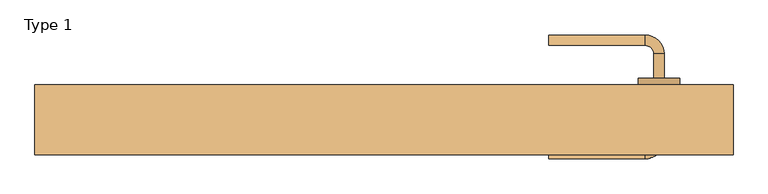
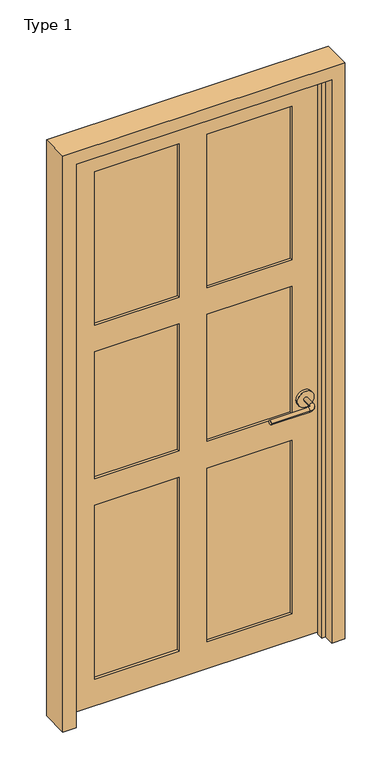
"""IFC4 building model written with IfcOpenShell, lengths in millimetres: door geometry, Type 1."""

from ifc_helpers import new_model, si_unit, point, frame, frame_2d, origin, place, context, project, spatial, circle_curve, ellipse_curve, trimmed, segment, composite_curve, outline, extrude, faceted_brep, source, transform, mapped, element, save
from ifc_brep_helpers import plane_surface, cylinder_surface, revolved_surface, advanced_brep


def type_1_c918fb3f(model_context):
    return source(origin(), model_context, "Body", "SolidModel", [
        advanced_brep(
        [(509.0006555, 8.1295325, 914.4), (494.0006555, 8.1295325, 914.4), (494.0006555, -26.8704675, 914.4), (509.0006555, -26.8704675, 914.4), (481.5006555, -39.3704675, 914.4), (481.5006555, -54.3704675, 914.4), (341.5006555, -54.3704675, 914.4), (341.5006555, -39.3704675, 914.4)],
        [
            (0, 1, circle_curve(frame((501.5006555, 8.1295325, 914.4), z_axis=(0.0, 1.0, 0.0), x_axis=(-1.0, 0.0, 0.0)), 7.5)),
            (1, 0, circle_curve(frame((501.5006555, 8.1295325, 914.4), z_axis=(0.0, 1.0, 0.0), x_axis=(-1.0, 0.0, 0.0)), 7.5)),
            (1, 2),
            (2, 3, circle_curve(frame((501.5006555, -26.8704675, 914.4), z_axis=(0.0, 1.0, 0.0), x_axis=(-1.0, 0.0, 0.0)), 7.5)),
            (3, 0),
            (3, 2, circle_curve(frame((501.5006555, -26.8704675, 914.4), z_axis=(0.0, 1.0, 0.0), x_axis=(-1.0, 0.0, 0.0)), 7.5)),
            (4, 5, circle_curve(frame((481.5006555, -46.8704675, 914.4), z_axis=(1.0, 0.0, 0.0), x_axis=(0.0, 1.0, 0.0)), 7.5)),
            (5, 3, circle_curve(frame((481.5006555, -26.8704675, 914.4), z_axis=(0.0, 0.0, 1.0), x_axis=(1.0, 0.0, 0.0)), 27.5)),
            (2, 4, circle_curve(frame((481.5006555, -26.8704675, 914.4), z_axis=(0.0, 0.0, -1.0), x_axis=(1.0, 0.0, 0.0)), 12.5)),
            (5, 4, circle_curve(frame((481.5006555, -46.8704675, 914.4), z_axis=(1.0, 0.0, 0.0), x_axis=(0.0, 1.0, 0.0)), 7.5)),
            (6, 7, circle_curve(frame((341.5006555, -46.8704675, 914.4), z_axis=(-1.0, 0.0, 0.0), x_axis=(0.0, 1.0, 0.0)), 7.5)),
            (7, 6, circle_curve(frame((341.5006555, -46.8704675, 914.4), z_axis=(-1.0, 0.0, 0.0), x_axis=(0.0, 1.0, 0.0)), 7.5)),
            (4, 7),
            (6, 5),
        ],
        [
            plane_surface(frame((501.5006555, 8.1295325, 914.4), z_axis=(0.0, 1.0, 0.0), x_axis=(0.0, 0.0, 1.0))),
            cylinder_surface(frame((501.5006555, 8.1295325, 914.4), z_axis=(0.0, 1.0, 0.0), x_axis=(-1.0, 0.0, 0.0)), 7.5),
            revolved_surface(trimmed(ellipse_curve(frame((501.5006555, -26.8704675, 914.4), z_axis=(0.0, -1.0, 0.0), x_axis=(-1.0, 0.0, 0.0)), 7.5, 7.5), [point((509.0006555, -26.8704675, 914.4))], [point((494.0006555, -26.8704675, 914.4))], True, "CARTESIAN"), (481.5006555, -26.8704675, 914.4), (0.0, 0.0, 1.0)),
            revolved_surface(trimmed(ellipse_curve(frame((501.5006555, -26.8704675, 914.4), z_axis=(0.0, -1.0, 0.0), x_axis=(-1.0, 0.0, 0.0)), 7.5, 7.5), [point((494.0006555, -26.8704675, 914.4))], [point((509.0006555, -26.8704675, 914.4))], True, "CARTESIAN"), (481.5006555, -26.8704675, 914.4), (0.0, 0.0, 1.0)),
            plane_surface(frame((341.5006555, -46.8704675, 914.4), z_axis=(-1.0, 0.0, 0.0), x_axis=(0.0, 0.0, 1.0))),
            cylinder_surface(frame((481.5006555, -46.8704675, 914.4), z_axis=(1.0, 0.0, 0.0), x_axis=(0.0, 1.0, 0.0)), 7.5),
        ],
        [
            (0, [[1, 2]]),
            (1, [[3, 4, 5, -2]]),
            (1, [[-5, 6, -3, -1]]),
            (2, [[7, 8, -4, 9]]),
            (3, [[10, -9, -6, -8]]),
            (4, [[11, 12]]),
            (5, [[13, -11, 14, -7]]),
            (5, [[-14, -12, -13, -10]]),
        ],
    ),
        extrude(outline(composite_curve([segment(trimmed(circle_curve(frame_2d((914.4, 501.5006555)), 30.0), [point((914.4, 531.5006555))], [point((914.4, 471.5006555))], False, "CARTESIAN"), True, "CONTINUOUS"), segment(trimmed(circle_curve(frame_2d((914.4, 501.5006555)), 30.0), [point((914.4, 471.5006555))], [point((914.4, 531.5006555))], False, "CARTESIAN"), True, "CONTINUOUS")], self_intersect=False)), frame((0.0, 8.1295325, 0.0), z_axis=(0.0, 1.0, 0.0), x_axis=(0.0, 0.0, 1.0)), (0.0, 0.0, 1.0), 10.0),
        advanced_brep(
        [(509.0006555, 63.0545325, 914.4), (494.0006555, 63.0545325, 914.4), (509.0006555, 98.0545325, 914.4), (494.0006555, 98.0545325, 914.4), (481.5006555, 110.5545325, 914.4), (481.5006555, 125.5545325, 914.4), (341.5006555, 125.5545325, 914.4), (341.5006555, 110.5545325, 914.4)],
        [
            (0, 1, circle_curve(frame((501.5006555, 63.0545325, 914.4), z_axis=(0.0, -1.0, 0.0), x_axis=(-1.0, 0.0, 0.0)), 7.5)),
            (1, 0, circle_curve(frame((501.5006555, 63.0545325, 914.4), z_axis=(0.0, -1.0, 0.0), x_axis=(-1.0, 0.0, 0.0)), 7.5)),
            (0, 2),
            (2, 3, circle_curve(frame((501.5006555, 98.0545325, 914.4), z_axis=(0.0, -1.0, 0.0), x_axis=(-1.0, 0.0, 0.0)), 7.5)),
            (3, 1),
            (3, 2, circle_curve(frame((501.5006555, 98.0545325, 914.4), z_axis=(0.0, -1.0, 0.0), x_axis=(-1.0, 0.0, 0.0)), 7.5)),
            (4, 3, circle_curve(frame((481.5006555, 98.0545325, 914.4), z_axis=(0.0, 0.0, -1.0), x_axis=(1.0, 0.0, 0.0)), 12.5)),
            (2, 5, circle_curve(frame((481.5006555, 98.0545325, 914.4), z_axis=(0.0, 0.0, 1.0), x_axis=(1.0, 0.0, 0.0)), 27.5)),
            (5, 4, circle_curve(frame((481.5006555, 118.0545325, 914.4), z_axis=(1.0, 0.0, 0.0), x_axis=(0.0, -1.0, 0.0)), 7.5)),
            (4, 5, circle_curve(frame((481.5006555, 118.0545325, 914.4), z_axis=(1.0, 0.0, 0.0), x_axis=(0.0, -1.0, 0.0)), 7.5)),
            (6, 7, circle_curve(frame((341.5006555, 118.0545325, 914.4), z_axis=(-1.0, 0.0, 0.0), x_axis=(0.0, -1.0, 0.0)), 7.5)),
            (7, 6, circle_curve(frame((341.5006555, 118.0545325, 914.4), z_axis=(-1.0, 0.0, 0.0), x_axis=(0.0, -1.0, 0.0)), 7.5)),
            (5, 6),
            (7, 4),
        ],
        [
            plane_surface(frame((501.5006555, 63.0545325, 914.4), z_axis=(0.0, -1.0, 0.0), x_axis=(0.0, 0.0, 1.0))),
            cylinder_surface(frame((501.5006555, 63.0545325, 914.4), z_axis=(0.0, -1.0, 0.0), x_axis=(-1.0, 0.0, 0.0)), 7.5),
            revolved_surface(trimmed(ellipse_curve(frame((501.5006555, 98.0545325, 914.4), z_axis=(0.0, -1.0, 0.0), x_axis=(-1.0, 0.0, 0.0)), 7.5, 7.5), [point((509.0006555, 98.0545325, 914.4))], [point((494.0006555, 98.0545325, 914.4))], True, "CARTESIAN"), (481.5006555, 98.0545325, 914.4), (0.0, 0.0, 1.0)),
            revolved_surface(trimmed(ellipse_curve(frame((501.5006555, 98.0545325, 914.4), z_axis=(0.0, -1.0, 0.0), x_axis=(-1.0, 0.0, 0.0)), 7.5, 7.5), [point((494.0006555, 98.0545325, 914.4))], [point((509.0006555, 98.0545325, 914.4))], True, "CARTESIAN"), (481.5006555, 98.0545325, 914.4), (0.0, 0.0, 1.0)),
            plane_surface(frame((341.5006555, 118.0545325, 914.4), z_axis=(-1.0, 0.0, 0.0), x_axis=(0.0, 0.0, 1.0))),
            cylinder_surface(frame((481.5006555, 118.0545325, 914.4), z_axis=(1.0, 0.0, 0.0), x_axis=(0.0, -1.0, 0.0)), 7.5),
        ],
        [
            (0, [[1, 2]]),
            (1, [[-1, 3, 4, 5]]),
            (1, [[-2, -5, 6, -3]]),
            (2, [[7, -4, 8, 9]]),
            (3, [[-8, -6, -7, 10]]),
            (4, [[11, 12]]),
            (5, [[-9, 13, -12, 14]]),
            (5, [[-10, -14, -11, -13]]),
        ],
    ),
        extrude(outline(composite_curve([segment(trimmed(circle_curve(frame_2d((914.4, 501.5006555)), 30.0), [point((914.4, 531.5006555))], [point((914.4, 471.5006555))], False, "CARTESIAN"), True, "CONTINUOUS"), segment(trimmed(circle_curve(frame_2d((914.4, 501.5006555)), 30.0), [point((914.4, 471.5006555))], [point((914.4, 531.5006555))], False, "CARTESIAN"), True, "CONTINUOUS")], self_intersect=False)), frame((0.0, 53.0545325, 0.0), z_axis=(0.0, 1.0, 0.0), x_axis=(0.0, 0.0, 1.0)), (0.0, 0.0, 1.0), 10.0),
        faceted_brep([(-355.7493445, 53.0545325, 6.35), (-355.7493445, 53.0545325, 2139.95), (558.6506555, 53.0545325, 2139.95), (558.6506555, 53.0545325, 6.35), (-254.1493445, 53.0545325, 768.35), (-254.1493445, 53.0545325, 107.95), (50.6506555, 53.0545325, 107.95), (50.6506555, 53.0545325, 768.35), (152.2506555, 53.0545325, 768.35), (152.2506555, 53.0545325, 107.95), (457.0506555, 53.0545325, 107.95), (457.0506555, 53.0545325, 768.35), (152.2506555, 53.0545325, 1352.55), (152.2506555, 53.0545325, 869.95), (457.0506555, 53.0545325, 869.95), (457.0506555, 53.0545325, 1352.55), (-254.1493445, 53.0545325, 1352.55), (-254.1493445, 53.0545325, 869.95), (50.6506555, 53.0545325, 869.95), (50.6506555, 53.0545325, 1352.55), (152.2506555, 53.0545325, 2038.35), (152.2506555, 53.0545325, 1454.15), (457.0506555, 53.0545325, 1454.15), (457.0506555, 53.0545325, 2038.35), (-254.1493445, 53.0545325, 2038.35), (-254.1493445, 53.0545325, 1454.15), (50.6506555, 53.0545325, 1454.15), (50.6506555, 53.0545325, 2038.35), (-355.7493445, 18.1295325, 6.35), (558.6506555, 18.1295325, 6.35), (558.6506555, 18.1295325, 2139.95), (-355.7493445, 18.1295325, 2139.95), (152.2506555, 18.1295325, 869.95), (152.2506555, 18.1295325, 1352.55), (457.0506555, 18.1295325, 1352.55), (457.0506555, 18.1295325, 869.95), (-254.1493445, 18.1295325, 869.95), (-254.1493445, 18.1295325, 1352.55), (50.6506555, 18.1295325, 1352.55), (50.6506555, 18.1295325, 869.95), (-254.1493445, 18.1295325, 107.95), (-254.1493445, 18.1295325, 768.35), (50.6506555, 18.1295325, 768.35), (50.6506555, 18.1295325, 107.95), (152.2506555, 18.1295325, 107.95), (152.2506555, 18.1295325, 768.35), (457.0506555, 18.1295325, 768.35), (457.0506555, 18.1295325, 107.95), (152.2506555, 18.1295325, 1454.15), (152.2506555, 18.1295325, 2038.35), (457.0506555, 18.1295325, 2038.35), (457.0506555, 18.1295325, 1454.15), (-254.1493445, 18.1295325, 1454.15), (-254.1493445, 18.1295325, 2038.35), (50.6506555, 18.1295325, 2038.35), (50.6506555, 18.1295325, 1454.15), (152.2506555, 43.0545325, 1352.55), (152.2506555, 43.0545325, 869.95), (457.0506555, 43.0545325, 869.95), (457.0506555, 43.0545325, 1352.55), (-254.1493445, 43.0545325, 1352.55), (-254.1493445, 43.0545325, 869.95), (50.6506555, 43.0545325, 869.95), (50.6506555, 43.0545325, 1352.55), (-254.1493445, 43.0545325, 768.35), (-254.1493445, 43.0545325, 107.95), (50.6506555, 43.0545325, 107.95), (50.6506555, 43.0545325, 768.35), (152.2506555, 43.0545325, 768.35), (152.2506555, 43.0545325, 107.95), (457.0506555, 43.0545325, 107.95), (457.0506555, 43.0545325, 768.35), (152.2506555, 28.1295325, 869.95), (152.2506555, 28.1295325, 1352.55), (457.0506555, 28.1295325, 1352.55), (457.0506555, 28.1295325, 869.95), (-254.1493445, 28.1295325, 869.95), (-254.1493445, 28.1295325, 1352.55), (50.6506555, 28.1295325, 1352.55), (50.6506555, 28.1295325, 869.95), (-254.1493445, 28.1295325, 107.95), (-254.1493445, 28.1295325, 768.35), (50.6506555, 28.1295325, 768.35), (50.6506555, 28.1295325, 107.95), (152.2506555, 28.1295325, 107.95), (152.2506555, 28.1295325, 768.35), (457.0506555, 28.1295325, 768.35), (457.0506555, 28.1295325, 107.95), (152.2506555, 43.0545325, 2038.35), (457.0506555, 43.0545325, 2038.35), (457.0506555, 43.0545325, 1454.15), (152.2506555, 43.0545325, 1454.15), (-254.1493445, 43.0545325, 2038.35), (50.6506555, 43.0545325, 2038.35), (50.6506555, 43.0545325, 1454.15), (-254.1493445, 43.0545325, 1454.15), (152.2506555, 28.1295325, 2038.35), (152.2506555, 28.1295325, 1454.15), (457.0506555, 28.1295325, 1454.15), (457.0506555, 28.1295325, 2038.35), (-254.1493445, 28.1295325, 2038.35), (-254.1493445, 28.1295325, 1454.15), (50.6506555, 28.1295325, 1454.15), (50.6506555, 28.1295325, 2038.35)], [[[0, 1, 2, 3], [4, 5, 6, 7], [8, 9, 10, 11], [12, 13, 14, 15], [16, 17, 18, 19], [20, 21, 22, 23], [24, 25, 26, 27]], [[28, 29, 30, 31], [32, 33, 34, 35], [36, 37, 38, 39], [40, 41, 42, 43], [44, 45, 46, 47], [48, 49, 50, 51], [52, 53, 54, 55]], [[1, 0, 28, 31]], [[2, 1, 31, 30]], [[3, 2, 30, 29]], [[0, 3, 29, 28]], [[56, 57, 13, 12]], [[57, 58, 14, 13]], [[58, 59, 15, 14]], [[60, 61, 17, 16]], [[61, 62, 18, 17]], [[62, 63, 19, 18]], [[64, 65, 5, 4]], [[65, 66, 6, 5]], [[66, 67, 7, 6]], [[67, 64, 4, 7]], [[68, 69, 9, 8]], [[69, 70, 10, 9]], [[70, 71, 11, 10]], [[71, 68, 8, 11]], [[72, 73, 33, 32]], [[74, 75, 35, 34]], [[75, 72, 32, 35]], [[76, 77, 37, 36]], [[78, 79, 39, 38]], [[79, 76, 36, 39]], [[80, 81, 41, 40]], [[81, 82, 42, 41]], [[82, 83, 43, 42]], [[83, 80, 40, 43]], [[84, 85, 45, 44]], [[85, 86, 46, 45]], [[86, 87, 47, 46]], [[87, 84, 44, 47]], [[56, 59, 58, 57]], [[60, 63, 62, 61]], [[64, 67, 66, 65]], [[68, 71, 70, 69]], [[73, 72, 75, 74]], [[77, 76, 79, 78]], [[81, 80, 83, 82]], [[85, 84, 87, 86]], [[59, 56, 12, 15]], [[63, 60, 16, 19]], [[73, 74, 34, 33]], [[77, 78, 38, 37]], [[88, 89, 90, 91]], [[88, 91, 21, 20]], [[91, 90, 22, 21]], [[90, 89, 23, 22]], [[89, 88, 20, 23]], [[92, 93, 94, 95]], [[92, 95, 25, 24]], [[95, 94, 26, 25]], [[94, 93, 27, 26]], [[93, 92, 24, 27]], [[96, 97, 98, 99]], [[97, 96, 49, 48]], [[98, 97, 48, 51]], [[99, 98, 51, 50]], [[96, 99, 50, 49]], [[100, 101, 102, 103]], [[101, 100, 53, 52]], [[102, 101, 52, 55]], [[103, 102, 55, 54]], [[100, 103, 54, 53]]]),
        faceted_brep([(-406.5493445, 53.0545325, 0.0), (-358.9243445, 53.0545325, 0.0), (-358.9243445, 14.9545325, 0.0), (-346.2243445, 14.9545325, 0.0), (-346.2243445, -10.4454675, 0.0), (-358.9243445, -10.4454675, 0.0), (-358.9243445, -48.5454675, 0.0), (-406.5493445, -48.5454675, 0.0), (-358.9243445, 53.0545325, 2143.125), (-358.9243445, 14.9545325, 2143.125), (-346.2243445, 14.9545325, 2130.425), (-346.2243445, -10.4454675, 2130.425), (-358.9243445, -10.4454675, 2143.125), (-358.9243445, -48.5454675, 2143.125), (609.4506555, 53.0545325, 2190.75), (609.4506555, -48.5454675, 2190.75), (609.4506555, -48.5454675, 0.0), (609.4506555, 53.0545325, 0.0), (-406.5493445, -48.5454675, 2190.75), (561.8256555, -48.5454675, 2143.125), (561.8256555, -48.5454675, 0.0), (561.8256555, -10.4454675, 0.0), (549.1256555, -10.4454675, 0.0), (549.1256555, 14.9545325, 0.0), (561.8256555, 14.9545325, 0.0), (561.8256555, 53.0545325, 0.0), (-406.5493445, 53.0545325, 2190.75), (561.8256555, 53.0545325, 2143.125), (561.8256555, -10.4454675, 2143.125), (549.1256555, -10.4454675, 2130.425), (549.1256555, 14.9545325, 2130.425), (561.8256555, 14.9545325, 2143.125)], [[[0, 1, 2, 3, 4, 5, 6, 7]], [[2, 1, 8, 9]], [[4, 3, 10, 11]], [[6, 5, 12, 13]], [[14, 15, 16, 17]], [[15, 18, 7, 6, 13, 19, 20, 16]], [[17, 16, 20, 21, 22, 23, 24, 25]], [[26, 14, 17, 25, 27, 8, 1, 0]], [[18, 26, 0, 7]], [[21, 20, 19, 28]], [[5, 4, 11, 29, 22, 21, 28, 12]], [[23, 22, 29, 30]], [[3, 2, 9, 31, 24, 23, 30, 10]], [[25, 24, 31, 27]], [[15, 14, 26, 18]], [[13, 12, 28, 19]], [[11, 10, 30, 29]], [[9, 8, 27, 31]]]),
    ])


if __name__ == "__main__":
    model = new_model("IFC4")
    model_context = context("Model", 3, world=origin())
    ifc_project = project(units=[si_unit("LENGTHUNIT", "METRE", prefix="MILLI")], contexts=[model_context])
    site = spatial("IfcSite", under=ifc_project)
    building = spatial("IfcBuilding", under=site)
    placement = place(None, origin())
    type_1_shape = type_1_c918fb3f(model_context)
    element("IfcDoor", 1, ObjectType="Type 1", at=placement, inside=building, context=model_context, shape_type="MappedRepresentation", body=[
        mapped(type_1_shape, transform((0.0, 0.0, 0.0), x_axis=(1.0, 0.0, 0.0), y_axis=(0.0, 1.0, 0.0), z_axis=(0.0, 0.0, 1.0))),
    ])
    save(model, "model.ifc")
